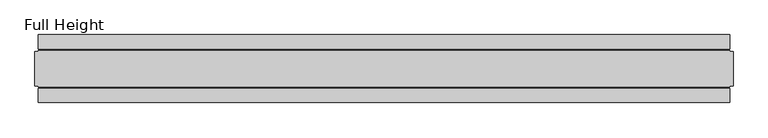
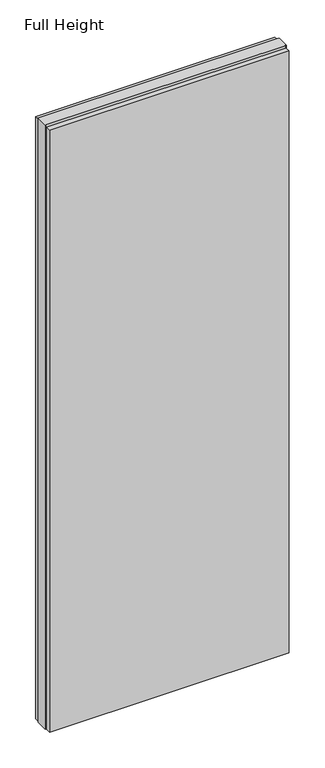
"""IFC4 building model written with IfcOpenShell, lengths in millimetres: plate geometry, Full Height."""

import ifcopenshell
import ifcopenshell.guid

model = None  # the IFC model being written
_history = None  # IfcOwnerHistory: only IFC2X3 demands one
_inside = {}  # id of a spatial element -> (the spatial element, [elements in it])
_under = {}  # id of a project, library or spatial element -> (it, [spatial elements below it])
_declared = {}  # id of a project -> (the project, [libraries it declares])
_typed = {}  # id of a type object -> (the type object, [elements of that type])
_made_of = {}  # id of a material, layer set ... -> (it, [elements and type objects made of it])


def new_model(schema):
    """Start an empty IFC model of exactly this schema.

    Asked for "IFC4X3", IfcOpenShell would pick the latest addendum, in which some entities
    have other attributes; the version numbers below select the first issue.
    IFC2X3 requires an IfcOwnerHistory on every rooted entity: one is made here for all.
    """
    global model, _history
    if schema == "IFC4X3":
        model = ifcopenshell.file(schema_version=(4, 3, 0, 0))
    else:
        model = ifcopenshell.file(schema=schema)
    _inside.clear()
    _under.clear()
    _declared.clear()
    _typed.clear()
    _made_of.clear()
    _history = None
    if model.schema == "IFC2X3":
        org = make("IfcOrganization", Name="unknown")
        user = make(
            "IfcPersonAndOrganization",
            ThePerson=make("IfcPerson", FamilyName="unknown"),
            TheOrganization=org,
        )
        app = make(
            "IfcApplication",
            ApplicationDeveloper=org,
            Version="unknown",
            ApplicationFullName="unknown",
            ApplicationIdentifier="unknown",
        )
        _history = make(
            "IfcOwnerHistory",
            OwningUser=user,
            OwningApplication=app,
            ChangeAction="ADDED",
            CreationDate=0,
        )
    return model


def make(cls, **values):
    """One entity of the class cls with the attributes given. An attribute that is None is left unset."""
    return model.create_entity(
        cls, **{name: value for name, value in values.items() if value is not None}
    )


def rooted(cls, **values):
    """An entity with a GlobalId (a new one), such as an element, a storey or a relation."""
    return make(cls, GlobalId=ifcopenshell.guid.new(), OwnerHistory=_history, **values)


def si_unit(unit_type, name, prefix=None):
    """IfcSIUnit, for example si_unit("LENGTHUNIT", "METRE", prefix="MILLI")."""
    return make("IfcSIUnit", UnitType=unit_type, Prefix=prefix, Name=name)


def assignment(units):
    """IfcUnitAssignment: the units of a project."""
    return None if units is None else make("IfcUnitAssignment", Units=units)


def point(xyz):
    """IfcCartesianPoint."""
    return None if xyz is None else make("IfcCartesianPoint", Coordinates=xyz)


def direction(xyz):
    """IfcDirection."""
    return None if xyz is None else make("IfcDirection", DirectionRatios=xyz)


def frame(location, z_axis=None, x_axis=None):
    """IfcAxis2Placement3D, a coordinate frame: its origin and axes. An axis left out is left unset."""
    return make(
        "IfcAxis2Placement3D",
        Location=point(location),
        Axis=direction(z_axis),
        RefDirection=direction(x_axis),
    )


def origin():
    """The frame at (0, 0, 0) with its axes left unset."""
    return frame((0.0, 0.0, 0.0))


def origin_with_axes():
    """The frame at (0, 0, 0) with the z axis (0, 0, 1) and the x axis (1, 0, 0) written out."""
    return frame((0.0, 0.0, 0.0), z_axis=(0.0, 0.0, 1.0), x_axis=(1.0, 0.0, 0.0))


def place(relative_to, where):
    """IfcLocalPlacement: puts the frame where relative to a parent placement (None: the world)."""
    return make(
        "IfcLocalPlacement", PlacementRelTo=relative_to, RelativePlacement=where
    )


def context(
    kind, dimensions, precision=None, world=None, true_north=None, identifier=None
):
    """IfcGeometricRepresentationContext, for example the 3D "Model" context."""
    return make(
        "IfcGeometricRepresentationContext",
        ContextIdentifier=identifier,
        ContextType=kind,
        CoordinateSpaceDimension=dimensions,
        Precision=precision,
        WorldCoordinateSystem=world,
        TrueNorth=true_north,
    )


def project(units=None, contexts=None):
    """IfcProject with its units and contexts."""
    return rooted(
        "IfcProject",
        Name="project",
        RepresentationContexts=contexts,
        UnitsInContext=assignment(units),
    )


def spatial(cls, under=None, at=None, **own):
    """A site, building, storey or space (cls), placed at a placement, below another one or the project."""
    s = rooted(cls, ObjectPlacement=at, **own)
    if under is not None:
        _under.setdefault(under.id(), (under, []))[1].append(s)
    return s


def polyline(points):
    """IfcPolyline through the points."""
    return make("IfcPolyline", Points=[point(p) for p in points])


def outline(outer, holes=None, kind="AREA"):
    """IfcArbitraryClosedProfileDef: a profile drawn as a closed curve; with holes, ...WithVoids."""
    if holes is None:
        return make("IfcArbitraryClosedProfileDef", ProfileType=kind, OuterCurve=outer)
    return make(
        "IfcArbitraryProfileDefWithVoids",
        ProfileType=kind,
        OuterCurve=outer,
        InnerCurves=holes,
    )


def extrude(swept, where, along, depth):
    """IfcExtrudedAreaSolid: the profile swept, set in the frame where, extruded along a direction by depth."""
    return make(
        "IfcExtrudedAreaSolid",
        SweptArea=swept,
        Position=where,
        ExtrudedDirection=direction(along),
        Depth=depth,
    )


def shape(context_of_items, identifier, shape_type, items):
    """IfcShapeRepresentation: the items that make up one representation, for example the "Body"."""
    return make(
        "IfcShapeRepresentation",
        ContextOfItems=context_of_items,
        RepresentationIdentifier=identifier,
        RepresentationType=shape_type,
        Items=items,
    )


def source(mapping_origin, context_of_items, identifier, shape_type, items):
    """IfcRepresentationMap: a shape defined once, which mapped items show again and again."""
    return make(
        "IfcRepresentationMap",
        MappingOrigin=mapping_origin,
        MappedRepresentation=shape(context_of_items, identifier, shape_type, items),
    )


def transform(
    local_origin,
    x_axis=None,
    y_axis=None,
    z_axis=None,
    scale=None,
    scale2=None,
    scale3=None,
    uniform=True,
):
    """IfcCartesianTransformationOperator3D, or its non-uniform kind. x_axis, y_axis, z_axis: its Axis1, 2, 3."""
    if uniform:
        return make(
            "IfcCartesianTransformationOperator3D",
            Axis1=direction(x_axis),
            Axis2=direction(y_axis),
            LocalOrigin=point(local_origin),
            Scale=scale,
            Axis3=direction(z_axis),
        )
    return make(
        "IfcCartesianTransformationOperator3DnonUniform",
        Axis1=direction(x_axis),
        Axis2=direction(y_axis),
        LocalOrigin=point(local_origin),
        Scale=scale,
        Axis3=direction(z_axis),
        Scale2=scale2,
        Scale3=scale3,
    )


def mapped(mapping_source, mapping_target):
    """IfcMappedItem: shows the shape of a source again, moved by a transform."""
    return make(
        "IfcMappedItem", MappingSource=mapping_source, MappingTarget=mapping_target
    )


def made_of(thing, what):
    """Note that an element or type object is made of a material, layer set ...; save() writes the relation."""
    if what is not None:
        _made_of.setdefault(what.id(), (what, []))[1].append(thing)
    return thing


def element(
    cls,
    number,
    at=None,
    inside=None,
    cuts=None,
    type_object=None,
    material=None,
    context=None,
    identifier="Body",
    shape_type=None,
    held_by="IfcProductDefinitionShape",
    body=None,
    shapes=None,
    **own,
):
    """One element of the class cls, such as IfcWall. Its Tag is "e" and its number.

    at: its placement. inside: the storey or other place that contains it. cuts: it is an
    opening in that element (IfcRelVoidsElement). A single representation is given by context,
    identifier, shape_type and body (its items); several are given by shapes. held_by: the class
    of the entity that holds the representations. save() writes the other relations.
    """
    e = rooted(cls, Tag="e%d" % number, ObjectPlacement=at, **own)
    if body is not None:
        shapes = [shape(context, identifier, shape_type, body)]
    if shapes is not None:
        e.Representation = make(held_by, Representations=shapes)
    if inside is not None:
        _inside.setdefault(inside.id(), (inside, []))[1].append(e)
    if cuts is not None:
        rooted(
            "IfcRelVoidsElement", RelatingBuildingElement=cuts, RelatedOpeningElement=e
        )
    if type_object is not None:
        _typed.setdefault(type_object.id(), (type_object, []))[1].append(e)
    return made_of(e, material)


def aggregate(whole, parts):
    """IfcRelAggregates: a whole, such as a stair, and the parts it consists of."""
    return rooted("IfcRelAggregates", RelatingObject=whole, RelatedObjects=parts)


def save(model, path):
    """Write the relations noted so far, then the file.

    IfcRelAggregates (storeys below a building ...), IfcRelContainedInSpatialStructure (elements
    in a storey), IfcRelDefinesByType, IfcRelAssociatesMaterial and IfcRelDeclares: one each for
    every whole, place, type object, material and project.
    """
    for whole, parts in _under.values():
        aggregate(whole, parts)
    for where, things in _inside.values():
        rooted(
            "IfcRelContainedInSpatialStructure",
            RelatedElements=things,
            RelatingStructure=where,
        )
    for kind, things in _typed.values():
        rooted("IfcRelDefinesByType", RelatedObjects=things, RelatingType=kind)
    for what, things in _made_of.values():
        rooted("IfcRelAssociatesMaterial", RelatedObjects=things, RelatingMaterial=what)
    for by, libraries in _declared.values():
        rooted("IfcRelDeclares", RelatingContext=by, RelatedDefinitions=libraries)
    model.write(path)


def full_height_fffca8fa(model_context):
    return source(origin(), model_context, "Body", "SweptSolid", [
        extrude(outline(polyline([(503.428, 28.956), (-503.428, 28.956), (-503.428, 49.53), (503.428, 49.53), (503.428, 28.956)])), origin_with_axes(), (0.0, 0.0, 1.0), 2679.192),
        extrude(outline(polyline([(503.428, -28.956), (503.428, -49.53), (-503.428, -49.53), (-503.428, -28.956), (503.428, -28.956)])), origin_with_axes(), (0.0, 0.0, 1.0), 2679.192),
        extrude(outline(polyline([(503.428, -25.146), (503.428, -26.67), (-503.428, -26.67), (-503.428, -25.146), (-508.0, -25.146), (-508.0, 25.146), (-503.428, 25.146), (-503.428, 26.67), (503.428, 26.67), (503.428, 25.146), (508.0, 25.146), (508.0, -25.146), (503.428, -25.146)])), origin_with_axes(), (0.0, 0.0, 1.0), 2688.336),
    ])


if __name__ == "__main__":
    model = new_model("IFC4")
    model_context = context("Model", 3, world=origin())
    ifc_project = project(units=[si_unit("LENGTHUNIT", "METRE", prefix="MILLI")], contexts=[model_context])
    site = spatial("IfcSite", under=ifc_project)
    building = spatial("IfcBuilding", under=site)
    placement = place(None, origin())
    full_height_shape = full_height_fffca8fa(model_context)
    element("IfcPlate", 1, ObjectType="Full Height", at=placement, inside=building, context=model_context, shape_type="MappedRepresentation", body=[
        mapped(full_height_shape, transform((0.0, 0.0, 0.0), x_axis=(1.0, 0.0, 0.0), y_axis=(0.0, 1.0, 0.0), z_axis=(0.0, 0.0, 1.0))),
    ])
    save(model, "model.ifc")
